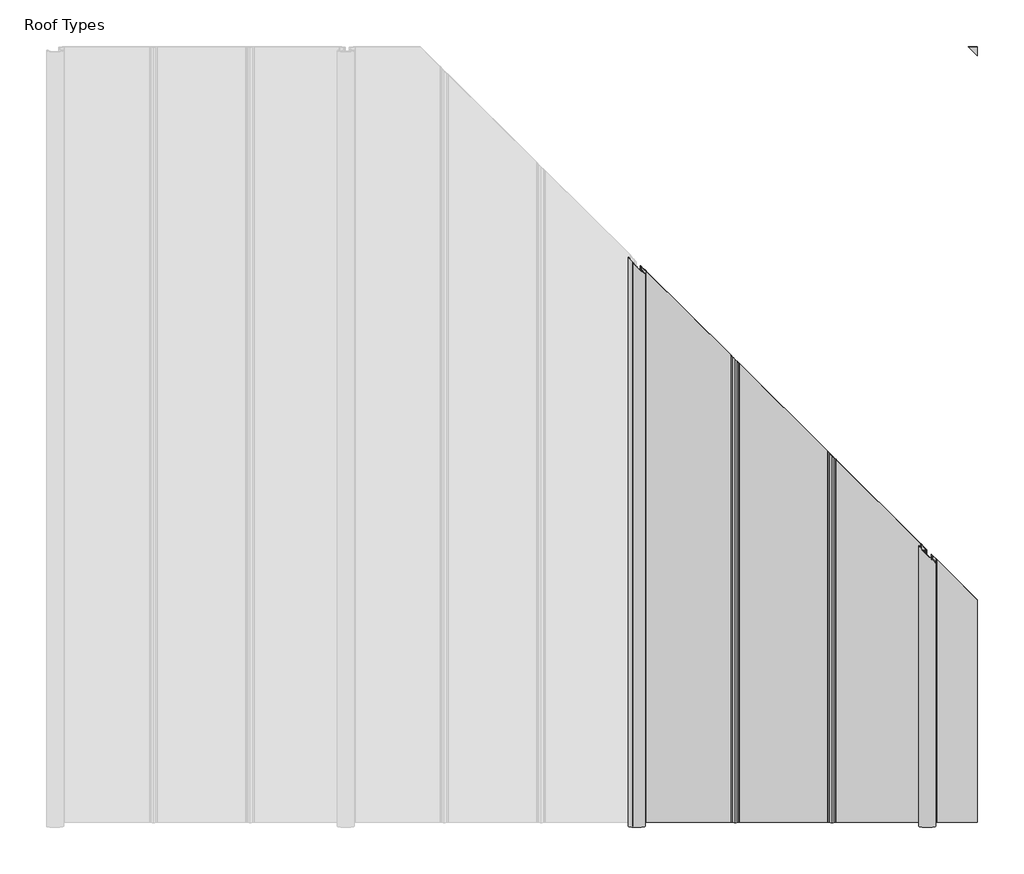
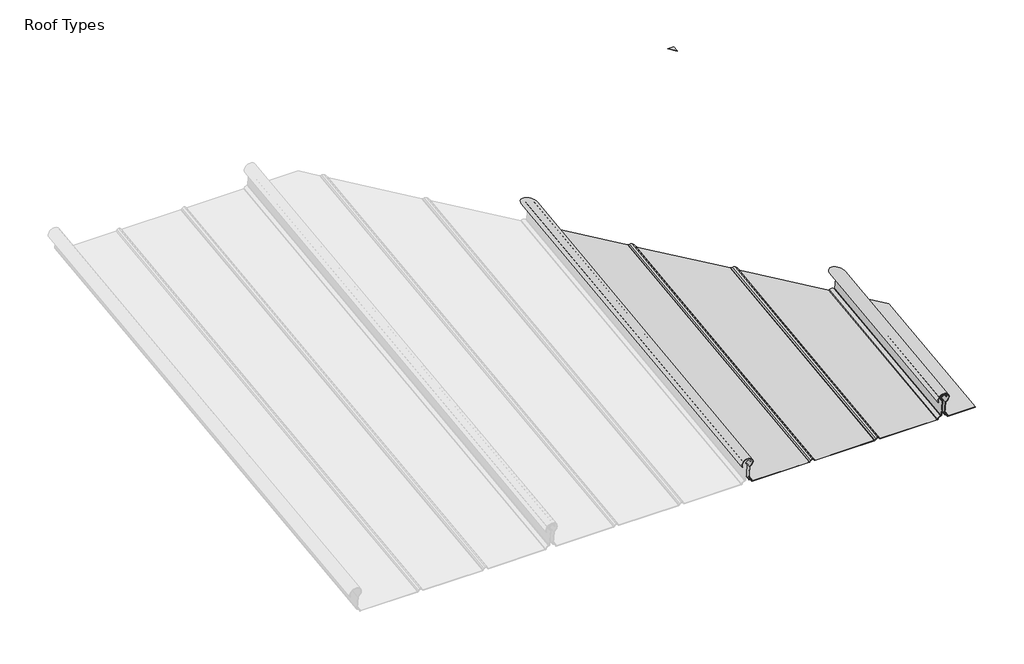
# One storey, part 3 of 3: 2 plates.
"""IFC4 building model written with IfcOpenShell, lengths in millimetres."""

from ifc_helpers import new_model, si_unit, frame, origin, place, context, project, spatial, polyline, circle_curve, ellipse_curve, faceted_brep, element, save
from ifc_brep_helpers import plane_surface, cylinder_surface, revolved_surface, advanced_brep

model = new_model("IFC4")

# Units and contexts
model_context = context("Model", 3, world=origin())
ifc_project = project(units=[si_unit("LENGTHUNIT", "METRE", prefix="MILLI")], contexts=[model_context])

# Site, building, storey
site = spatial("IfcSite", under=ifc_project)
building = spatial("IfcBuilding", under=site)
storey = spatial("IfcBuildingStorey", under=building, Name="Roof Types", Elevation=2400.0)

# Plates
placement = place(None, origin())
element("IfcPlate", 1, at=placement, inside=storey, context=model_context, shape_type="AdvancedBrep", body=[
    advanced_brep(
    [(273.5752752, 13315.1140164, 41.59074), (255.1482329, 13314.4813104, 46.7437172), (256.0397188, 13314.4219175, 47.2274334), (272.5592752, 13315.0404241, 42.1901011), (272.5592752, 13319.0591483, 9.4602195), (274.8302656, 13319.3359124, 7.2061566), (279.9721791, 13319.962554, 2.1025701), (282.0905391, 13320.2207172, 0.0), (414.8496436, 13320.2207172, 0.0), (416.5335709, 13320.093939, 1.0325252), (418.7801313, 13319.7552396, 3.7910104), (421.7176084, 13319.5449191, 5.5039334), (424.6554311, 13319.7551679, 3.7915944), (426.9081916, 13320.094663, 1.0266291), (428.6613367, 13320.2207172, 0.0), (567.1830552, 13320.2207172, 0.0), (568.8669825, 13320.093939, 1.0325252), (571.1135429, 13319.7552396, 3.7910104), (574.05102, 13319.5449191, 5.5039334), (576.9888427, 13319.7551679, 3.7915944), (579.2416031, 13320.094663, 1.0266291), (580.9947483, 13320.2207172, 0.0), (713.6780111, 13320.2207172, 0.0), (715.7963711, 13319.962554, 2.1025701), (720.9382846, 13319.3359124, 7.2061566), (723.2092751, 13319.0591483, 9.4602195), (723.2092751, 13314.3398003, 47.8962246), (721.5510259, 13313.9998723, 50.6647154), (718.5320062, 13313.1306946, 57.7435998), (719.7458338, 13312.9930366, 58.8647344), (721.5485836, 13312.7651145, 60.7210105), (722.6327985, 13312.6122305, 61.9661508), (730.7389478, 13313.3382534, 56.0531693), (731.7549331, 13313.338919, 56.0477485), (722.3242045, 13312.4942609, 62.9269364), (720.5460921, 13312.7449907, 60.8849063), (719.5440026, 13312.8716851, 59.8530633), (717.5533253, 13313.0974442, 58.0144026), (721.0656656, 13314.1086493, 49.7787984), (722.1932752, 13314.3398003, 47.8962246), (722.1932752, 13319.0591483, 9.4602195), (720.9382846, 13319.2120931, 8.2145835), (714.7803711, 13319.962554, 2.1025701), (713.6780111, 13320.0968979, 1.0084269), (581.0583311, 13320.0968979, 1.0084269), (579.9297066, 13320.0175548, 1.6546249), (577.6769461, 13319.6780597, 4.4195902), (574.0509418, 13319.4193672, 6.526472), (570.4253597, 13319.6781482, 4.4188695), (568.1731572, 13320.0176982, 1.6534564), (567.0500289, 13320.0968979, 1.0084269), (428.7249195, 13320.0968979, 1.0084269), (427.596295, 13320.0175548, 1.6546249), (425.3435346, 13319.6780597, 4.4195902), (421.7175302, 13319.4193672, 6.526472), (418.0919481, 13319.6781482, 4.4188695), (415.8397456, 13320.0176982, 1.6534564), (414.7166173, 13320.0968979, 1.0084269), (282.0905391, 13320.0968979, 1.0084269), (280.9881791, 13319.962554, 2.1025701), (274.8302656, 13319.2120931, 8.2145835), (273.5752752, 13319.0591483, 9.4602195), (273.5752752, 14189.789316, 148.9873626), (255.1482329, 14207.4462999, 156.3860313), (256.0397188, 14206.5020661, 156.7611027), (272.5592752, 14190.7241506, 149.710543), (272.5592752, 14194.7428748, 116.9806613), (274.8302656, 14192.765576, 114.4498343), (279.9721791, 14188.2886312, 108.7196062), (282.0905391, 14186.4442243, 106.358873), (580.9947483, 13889.7680018, 69.9316133), (713.6780111, 13758.0737399, 53.7615911), (715.7963711, 13755.7130067, 55.6059981), (720.9382846, 13749.9827786, 60.082943), (723.2092751, 13747.4519516, 62.0602417), (723.2092751, 13742.7326036, 100.4962469), (721.5510259, 13744.0385646, 103.4668274), (718.5320062, 13746.1659032, 110.9136378), (719.7458338, 13744.8234652, 111.8868439), (721.5485836, 13742.8062308, 113.5234201), (722.6327985, 13741.5772135, 114.6364279), (730.7389478, 13734.2575091, 107.7355553), (731.7549331, 13733.2497623, 107.606317), (722.3242045, 13741.7655376, 115.6348216), (720.5460921, 13743.7811261, 113.8094889), (719.5440026, 13744.9024405, 112.8997699), (717.5533253, 13747.1040387, 111.3037118), (721.0656656, 13744.6290839, 102.6400609), (722.1932752, 13743.7410304, 100.6200661), (722.1932752, 13748.4603784, 62.184061), (720.9382846, 13749.8589594, 61.0913698), (714.7803711, 13756.7214336, 55.7298173), (713.6780111, 13757.9499206, 54.770018), (414.7166173, 14054.6829015, 91.2042468), (282.0905391, 14186.320405, 107.3672999), (280.9881791, 14187.2802043, 108.5957869), (274.8302656, 14192.6417568, 115.4582612), (273.5752752, 14193.7344479, 116.8568421), (428.6613367, 14040.9659432, 88.4963861), (567.1830552, 13903.4767446, 71.6148352), (568.8669825, 13901.6785909, 72.4421413), (571.1135429, 13899.1100766, 74.9268397), (574.05102, 13895.9841745, 76.2817743), (576.9888427, 13893.2784987, 74.2114047), (579.2416031, 13891.382025, 71.171897), (581.0583311, 13889.5810737, 70.9322914), (579.9297066, 13890.6219425, 71.7160341), (577.6769461, 13892.5184161, 74.7555418), (574.0509418, 13895.8587002, 77.3043224), (570.4253597, 13899.7160388, 75.6385672), (568.1731572, 13902.2910037, 73.1476286), (567.0500289, 13903.4849601, 72.6394739), (414.8496436, 14054.6746861, 90.1796081), (416.5335709, 14052.8765324, 91.0069141), (418.7801313, 14050.3080181, 93.4916126), (421.7176084, 14047.1821159, 94.8465471), (424.6554311, 14044.4764401, 92.7761775), (426.9081916, 14042.5799665, 89.7366698), (428.7249195, 14040.7790151, 89.4970642), (427.596295, 14041.8198839, 90.2808069), (425.3435346, 14043.7163575, 93.3203146), (421.7175302, 14047.0566417, 95.8690952), (418.0919481, 14050.9139802, 94.20334), (415.8397456, 14053.4889452, 91.7124014)],
    [
        (0, 1, circle_curve(frame((266.9036869, 13313.6981344, 53.1221735), z_axis=(0.0, -0.9925461516413204, -0.1218693434051611), x_axis=(-1.0, 0.0, 0.0)), 13.3973418)),
        (1, 2),
        (2, 3, circle_curve(frame((266.9036869, 13313.6981344, 53.1221735), z_axis=(0.0, 0.9925461516413204, 0.1218693434051611), x_axis=(-1.0, 0.0, 0.0)), 12.3813418)),
        (3, 4),
        (4, 5, circle_curve(frame((274.8302657, 13319.0591483, 9.4602195), z_axis=(0.0, -0.9925461516413204, -0.1218693434051611), x_axis=(-1.0, 0.0, 0.0)), 2.2709905)),
        (5, 6, circle_curve(frame((274.8302656, 13319.962554, 2.1025701), z_axis=(0.0, 0.9925461516413204, 0.1218693434051611), x_axis=(-1.0, 0.0, 0.0)), 5.1419136)),
        (6, 7, circle_curve(frame((282.0905391, 13319.962554, 2.1025701), z_axis=(0.0, -0.9925461516413204, -0.1218693434051611), x_axis=(-1.0, 0.0, 0.0)), 2.11836)),
        (7, 8),
        (8, 9, circle_curve(frame((414.5757277, 13319.9371951, 2.3091021), z_axis=(0.0, -0.9925461516413204, -0.1218693434051611), x_axis=(-1.0, 0.0, 0.0)), 2.342513)),
        (9, 10),
        (10, 11, circle_curve(frame((422.0283724, 13320.0192103, 1.6411417), z_axis=(0.0, 0.9925461516413204, 0.1218693434051611), x_axis=(-1.0, 0.0, 0.0)), 3.9041883)),
        (11, 12, circle_curve(frame((421.4076239, 13320.0192179, 1.64108), z_axis=(0.0, 0.9925461516413204, 0.1218693434051611), x_axis=(-1.0, 0.0, 0.0)), 3.9041883)),
        (12, 13),
        (13, 14, circle_curve(frame((428.8568759, 13319.936233, 2.3169377), z_axis=(0.0, -0.9925461516413204, -0.1218693434051611), x_axis=(-1.0, 0.0, 0.0)), 2.342513)),
        (14, 15),
        (15, 16, circle_curve(frame((566.9091393, 13319.9371951, 2.3091021), z_axis=(0.0, -0.9925461516413204, -0.1218693434051611), x_axis=(-1.0, 0.0, 0.0)), 2.342513)),
        (16, 17),
        (17, 18, circle_curve(frame((574.361784, 13320.0192103, 1.6411417), z_axis=(0.0, 0.9925461516413204, 0.1218693434051611), x_axis=(-1.0, 0.0, 0.0)), 3.9041883)),
        (18, 19, circle_curve(frame((573.7410355, 13320.0192179, 1.64108), z_axis=(0.0, 0.9925461516413204, 0.1218693434051611), x_axis=(-1.0, 0.0, 0.0)), 3.9041883)),
        (19, 20),
        (20, 21, circle_curve(frame((581.1902875, 13319.936233, 2.3169377), z_axis=(0.0, -0.9925461516413204, -0.1218693434051611), x_axis=(-1.0, 0.0, 0.0)), 2.342513)),
        (21, 22),
        (22, 23, circle_curve(frame((713.6780111, 13319.962554, 2.1025701), z_axis=(0.0, -0.9925461516413204, -0.1218693434051611), x_axis=(-1.0, 0.0, 0.0)), 2.11836)),
        (23, 24, circle_curve(frame((720.9382847, 13319.962554, 2.1025701), z_axis=(0.0, 0.9925461516413204, 0.1218693434051611), x_axis=(-1.0, 0.0, 0.0)), 5.1419136)),
        (24, 25, circle_curve(frame((720.9382846, 13319.0591483, 9.4602195), z_axis=(0.0, -0.9925461516413204, -0.1218693434051611), x_axis=(-1.0, 0.0, 0.0)), 2.2709905)),
        (25, 26),
        (26, 27, circle_curve(frame((720.0342752, 13314.3398003, 47.8962246), z_axis=(0.0, -0.9925461516413204, -0.1218693434051611), x_axis=(-1.0, 0.0, 0.0)), 3.175)),
        (27, 28, circle_curve(frame((724.5213293, 13313.3341801, 56.0863433), z_axis=(0.0, 0.9925461516413204, 0.1218693434051611), x_axis=(-1.0, 0.0, 0.0)), 6.2177083)),
        (28, 29, circle_curve(frame((720.0611951, 13313.1826484, 57.3204705), z_axis=(0.0, 0.9925461516413204, 0.1218693434051611), x_axis=(-1.0, 0.0, 0.0)), 1.5875)),
        (29, 30, circle_curve(frame((719.291395, 13312.7198041, 61.0900347), z_axis=(0.0, -0.9925461516413204, -0.1218693434051611), x_axis=(-1.0, 0.0, 0.0)), 2.287604)),
        (30, 31, circle_curve(frame((723.1149766, 13312.7965581, 60.4649234), z_axis=(0.0, 0.9925461516413204, 0.1218693434051611), x_axis=(-1.0, 0.0, 0.0)), 1.5875)),
        (31, 32, circle_curve(frame((724.5213293, 13313.3341801, 56.0863433), z_axis=(0.0, 0.9925461516413204, 0.1218693434051611), x_axis=(-1.0, 0.0, 0.0)), 6.2177083)),
        (32, 33),
        (33, 34, circle_curve(frame((724.5213293, 13313.3341801, 56.0863433), z_axis=(0.0, -0.9925461516413204, -0.1218693434051611), x_axis=(-1.0, 0.0, 0.0)), 7.2337083)),
        (34, 35, circle_curve(frame((723.1149766, 13312.7965581, 60.4649234), z_axis=(0.0, -0.9925461516413204, -0.1218693434051611), x_axis=(-1.0, 0.0, 0.0)), 2.6035)),
        (35, 36, circle_curve(frame((719.291395, 13312.7198041, 61.0900347), z_axis=(0.0, 0.9925461516413204, 0.1218693434051611), x_axis=(-1.0, 0.0, 0.0)), 1.271604)),
        (36, 37, circle_curve(frame((720.0611951, 13313.1826484, 57.3204705), z_axis=(0.0, -0.9925461516413204, -0.1218693434051611), x_axis=(-1.0, 0.0, 0.0)), 2.6035)),
        (37, 38, circle_curve(frame((724.5213293, 13313.3341801, 56.0863433), z_axis=(0.0, -0.9925461516413204, -0.1218693434051611), x_axis=(-1.0, 0.0, 0.0)), 7.2337083)),
        (38, 39, circle_curve(frame((720.0342752, 13314.3398003, 47.8962246), z_axis=(0.0, 0.9925461516413204, 0.1218693434051611), x_axis=(-1.0, 0.0, 0.0)), 2.159)),
        (39, 40),
        (40, 41, circle_curve(frame((720.9382846, 13319.0591483, 9.4602195), z_axis=(0.0, 0.9925461516413204, 0.1218693434051611), x_axis=(-1.0, 0.0, 0.0)), 1.2549905)),
        (41, 42, circle_curve(frame((720.9382847, 13319.962554, 2.1025701), z_axis=(0.0, -0.9925461516413204, -0.1218693434051611), x_axis=(-1.0, 0.0, 0.0)), 6.1579136)),
        (42, 43, circle_curve(frame((713.6780111, 13319.962554, 2.1025701), z_axis=(0.0, 0.9925461516413204, 0.1218693434051611), x_axis=(-1.0, 0.0, 0.0)), 1.10236)),
        (43, 44),
        (44, 45, circle_curve(frame((581.2068821, 13319.9066227, 2.5580937), z_axis=(0.0, 0.9925461516413204, 0.1218693434051611), x_axis=(-1.0, 0.0, 0.0)), 1.5683556)),
        (45, 46),
        (46, 47, circle_curve(frame((573.7410355, 13319.9906547, 1.873708), z_axis=(0.0, -0.9925461516413204, -0.1218693434051611), x_axis=(-1.0, 0.0, 0.0)), 4.6979383)),
        (47, 48, circle_curve(frame((574.3617838, 13319.9906472, 1.8737696), z_axis=(0.0, -0.9925461516413204, -0.1218693434051611), x_axis=(-1.0, 0.0, 0.0)), 4.6979382)),
        (48, 49),
        (49, 50, circle_curve(frame((566.8988758, 13319.9071872, 2.5534969), z_axis=(0.0, 0.9925461516413204, 0.1218693434051611), x_axis=(-1.0, 0.0, 0.0)), 1.5639945)),
        (50, 51),
        (51, 52, circle_curve(frame((428.8734705, 13319.9066227, 2.5580937), z_axis=(0.0, 0.9925461516413204, 0.1218693434051611), x_axis=(-1.0, 0.0, 0.0)), 1.5683556)),
        (52, 53),
        (53, 54, circle_curve(frame((421.4076239, 13319.9906547, 1.873708), z_axis=(0.0, -0.9925461516413204, -0.1218693434051611), x_axis=(-1.0, 0.0, 0.0)), 4.6979383)),
        (54, 55, circle_curve(frame((422.0283722, 13319.9906472, 1.8737696), z_axis=(0.0, -0.9925461516413204, -0.1218693434051611), x_axis=(-1.0, 0.0, 0.0)), 4.6979382)),
        (55, 56),
        (56, 57, circle_curve(frame((414.5654642, 13319.9071872, 2.5534969), z_axis=(0.0, 0.9925461516413204, 0.1218693434051611), x_axis=(-1.0, 0.0, 0.0)), 1.5639945)),
        (57, 58),
        (58, 59, circle_curve(frame((282.0905391, 13319.962554, 2.1025701), z_axis=(0.0, 0.9925461516413204, 0.1218693434051611), x_axis=(-1.0, 0.0, 0.0)), 1.10236)),
        (59, 60, circle_curve(frame((274.8302656, 13319.962554, 2.1025701), z_axis=(0.0, -0.9925461516413204, -0.1218693434051611), x_axis=(-1.0, 0.0, 0.0)), 6.1579136)),
        (60, 61, circle_curve(frame((274.8302657, 13319.0591483, 9.4602195), z_axis=(0.0, 0.9925461516413204, 0.1218693434051611), x_axis=(-1.0, 0.0, 0.0)), 1.2549905)),
        (61, 0),
        (0, 62),
        (62, 63, ellipse_curve(frame((266.9036869, 14194.9952933, 161.3318582), z_axis=(-0.7071067811865493, -0.7018361144661881, -0.08617463914053403), x_axis=(0.7071067811865458, -0.7018361144661898, -0.0861746391405489)), 18.9467025, 13.3973418)),
        (63, 1),
        (63, 64),
        (64, 2),
        (64, 65, ellipse_curve(frame((266.9036869, 14194.9952933, 161.3318582), z_axis=(0.7071067811865493, 0.7018361144661881, 0.08617463914053403), x_axis=(-0.7071067811865458, 0.7018361144661898, 0.0861746391405489)), 17.5098616, 12.3813418)),
        (65, 3),
        (65, 66),
        (66, 4),
        (66, 67, ellipse_curve(frame((274.8302657, 14192.4888119, 116.7038972), z_axis=(-0.7071067811865493, -0.7018361144661881, -0.08617463914053403), x_axis=(0.7071067811865458, -0.7018361144661898, -0.0861746391405489)), 3.2116656, 2.2709905)),
        (67, 5),
        (67, 68, ellipse_curve(frame((274.8302656, 14193.3922177, 109.3462478), z_axis=(0.7071067811865493, 0.7018361144661881, 0.08617463914053403), x_axis=(-0.7071067811865458, 0.7018361144661898, 0.0861746391405489)), 7.2717639, 5.1419136)),
        (68, 6),
        (68, 69, ellipse_curve(frame((282.0905391, 14186.1860612, 108.461443), z_axis=(-0.7071067811865493, -0.7018361144661881, -0.08617463914053403), x_axis=(0.7071067811865458, -0.7018361144661898, -0.0861746391405489)), 2.9958134, 2.11836)),
        (69, 7),
        (21, 70),
        (70, 71),
        (71, 22),
        (71, 72, ellipse_curve(frame((713.6780111, 13757.8155767, 55.8641612), z_axis=(-0.7071067811865493, -0.7018361144661881, -0.08617463914053403), x_axis=(0.7071067811865458, -0.7018361144661898, -0.0861746391405489)), 2.9958134, 2.11836)),
        (72, 23),
        (72, 73, ellipse_curve(frame((720.9382847, 13750.6094202, 54.9793564), z_axis=(0.7071067811865493, 0.7018361144661881, 0.08617463914053403), x_axis=(-0.7071067811865458, 0.7018361144661898, 0.0861746391405489)), 7.2717639, 5.1419136)),
        (73, 24),
        (73, 74, ellipse_curve(frame((720.9382846, 13749.7060145, 62.3370058), z_axis=(-0.7071067811865493, -0.7018361144661881, -0.08617463914053403), x_axis=(0.7071067811865458, -0.7018361144661898, -0.0861746391405489)), 3.2116656, 2.2709905)),
        (74, 25),
        (74, 75),
        (75, 26),
        (75, 76, ellipse_curve(frame((720.0342752, 13745.8839375, 100.883182), z_axis=(-0.7071067811865493, -0.7018361144661881, -0.08617463914053403), x_axis=(0.7071067811865458, -0.7018361144661898, -0.0861746391405489)), 4.4901281, 3.175)),
        (76, 27),
        (76, 77, ellipse_curve(frame((724.5213293, 13740.4247091, 108.5264663), z_axis=(0.7071067811865493, 0.7018361144661881, 0.08617463914053403), x_axis=(-0.7071067811865458, 0.7018361144661898, 0.0861746391405489)), 8.7931675, 6.2177083)),
        (77, 28),
        (77, 78, ellipse_curve(frame((720.0611951, 13744.7000664, 110.3041472), z_axis=(0.7071067811865493, 0.7018361144661881, 0.08617463914053403), x_axis=(-0.7071067811865458, 0.7018361144661898, 0.0861746391405489)), 2.245064, 1.5875)),
        (78, 29),
        (78, 79, ellipse_curve(frame((719.291395, 13745.0012842, 114.1675264), z_axis=(-0.7071067811865493, -0.7018361144661881, -0.08617463914053403), x_axis=(0.7071067811865458, -0.7018361144661898, -0.0861746391405489)), 3.2351607, 2.287604)),
        (79, 30),
        (79, 80, ellipse_curve(frame((723.1149766, 13741.2829571, 113.0764377), z_axis=(0.7071067811865493, 0.7018361144661881, 0.08617463914053403), x_axis=(-0.7071067811865458, 0.7018361144661898, 0.0861746391405489)), 2.245064, 1.5875)),
        (80, 31),
        (80, 81, ellipse_curve(frame((724.5213293, 13740.4247091, 108.5264663), z_axis=(0.7071067811865493, 0.7018361144661881, 0.08617463914053403), x_axis=(-0.7071067811865458, 0.7018361144661898, 0.0861746391405489)), 8.7931675, 6.2177083)),
        (81, 32),
        (81, 82),
        (82, 33),
        (82, 83, ellipse_curve(frame((724.5213293, 13740.4247091, 108.5264663), z_axis=(-0.7071067811865493, -0.7018361144661881, -0.08617463914053403), x_axis=(0.7071067811865458, -0.7018361144661898, -0.0861746391405489)), 10.2300084, 7.2337083)),
        (83, 34),
        (83, 84, ellipse_curve(frame((723.1149766, 13741.2829571, 113.0764377), z_axis=(-0.7071067811865493, -0.7018361144661881, -0.08617463914053403), x_axis=(0.7071067811865458, -0.7018361144661898, -0.0861746391405489)), 3.681905, 2.6035)),
        (84, 35),
        (84, 85, ellipse_curve(frame((719.291395, 13745.0012842, 114.1675264), z_axis=(0.7071067811865493, 0.7018361144661881, 0.08617463914053403), x_axis=(-0.7071067811865458, 0.7018361144661898, 0.0861746391405489)), 1.7983197, 1.271604)),
        (85, 36),
        (85, 86, ellipse_curve(frame((720.0611951, 13744.7000664, 110.3041472), z_axis=(-0.7071067811865493, -0.7018361144661881, -0.08617463914053403), x_axis=(0.7071067811865458, -0.7018361144661898, -0.0861746391405489)), 3.681905, 2.6035)),
        (86, 37),
        (86, 87, ellipse_curve(frame((724.5213293, 13740.4247091, 108.5264663), z_axis=(-0.7071067811865493, -0.7018361144661881, -0.08617463914053403), x_axis=(0.7071067811865458, -0.7018361144661898, -0.0861746391405489)), 10.2300084, 7.2337083)),
        (87, 38),
        (87, 88, ellipse_curve(frame((720.0342752, 13745.8839375, 100.883182), z_axis=(0.7071067811865493, 0.7018361144661881, 0.08617463914053403), x_axis=(-0.7071067811865458, 0.7018361144661898, 0.0861746391405489)), 3.0532871, 2.159)),
        (88, 39),
        (88, 89),
        (89, 40),
        (89, 90, ellipse_curve(frame((720.9382846, 13749.7060145, 62.3370058), z_axis=(0.7071067811865493, 0.7018361144661881, 0.08617463914053403), x_axis=(-0.7071067811865458, 0.7018361144661898, 0.0861746391405489)), 1.7748246, 1.2549905)),
        (90, 41),
        (90, 91, ellipse_curve(frame((720.9382847, 13750.6094202, 54.9793564), z_axis=(-0.7071067811865493, -0.7018361144661881, -0.08617463914053403), x_axis=(0.7071067811865458, -0.7018361144661898, -0.0861746391405489)), 8.7086049, 6.1579136)),
        (91, 42),
        (91, 92, ellipse_curve(frame((713.6780111, 13757.8155767, 55.8641612), z_axis=(0.7071067811865493, 0.7018361144661881, 0.08617463914053403), x_axis=(-0.7071067811865458, 0.7018361144661898, 0.0861746391405489)), 1.5589725, 1.10236)),
        (92, 43),
        (57, 93),
        (93, 94),
        (94, 58),
        (94, 95, ellipse_curve(frame((282.0905391, 14186.1860612, 108.461443), z_axis=(0.7071067811865493, 0.7018361144661881, 0.08617463914053403), x_axis=(-0.7071067811865458, 0.7018361144661898, 0.0861746391405489)), 1.5589725, 1.10236)),
        (95, 59),
        (95, 96, ellipse_curve(frame((274.8302656, 14193.3922177, 109.3462478), z_axis=(-0.7071067811865493, -0.7018361144661881, -0.08617463914053403), x_axis=(0.7071067811865458, -0.7018361144661898, -0.0861746391405489)), 8.7086049, 6.1579136)),
        (96, 60),
        (96, 97, ellipse_curve(frame((274.8302657, 14192.4888119, 116.7038972), z_axis=(0.7071067811865493, 0.7018361144661881, 0.08617463914053403), x_axis=(-0.7071067811865458, 0.7018361144661898, 0.0861746391405489)), 1.7748246, 1.2549905)),
        (97, 61),
        (97, 62),
        (14, 98),
        (98, 99),
        (99, 15),
        (99, 100, ellipse_curve(frame((566.9091393, 13903.4650967, 73.9573192), z_axis=(-0.7071067811865493, -0.7018361144661881, -0.08617463914053403), x_axis=(0.7071067811865458, -0.7018361144661898, -0.0861746391405489)), 3.3128136, 2.342513)),
        (100, 16),
        (100, 101),
        (101, 17),
        (101, 102, ellipse_curve(frame((574.361784, 13896.1500181, 72.38111), z_axis=(0.7071067811865493, 0.7018361144661881, 0.08617463914053403), x_axis=(-0.7071067811865458, 0.7018361144661898, 0.0861746391405489)), 5.521356, 3.9041883)),
        (102, 18),
        (102, 103, ellipse_curve(frame((573.7410355, 13896.7661472, 72.4566985), z_axis=(0.7071067811865493, 0.7018361144661881, 0.08617463914053403), x_axis=(-0.7071067811865458, 0.7018361144661898, 0.0861746391405489)), 5.521356, 3.9041883)),
        (103, 19),
        (103, 104),
        (104, 20),
        (104, 70, ellipse_curve(frame((581.1902875, 13889.2894359, 72.2247207), z_axis=(-0.7071067811865493, -0.7018361144661881, -0.08617463914053403), x_axis=(0.7071067811865458, -0.7018361144661898, -0.0861746391405489)), 3.3128136, 2.342513)),
        (92, 105),
        (105, 44),
        (105, 106, ellipse_curve(frame((581.2068821, 13889.2433547, 72.4638544), z_axis=(0.7071067811865493, 0.7018361144661881, 0.08617463914053403), x_axis=(-0.7071067811865458, 0.7018361144661898, 0.0861746391405489)), 2.2179898, 1.5683556)),
        (106, 45),
        (106, 107),
        (107, 46),
        (107, 108, ellipse_curve(frame((573.7410355, 13896.7375841, 72.6893265), z_axis=(-0.7071067811865493, -0.7018361144661881, -0.08617463914053403), x_axis=(0.7071067811865458, -0.7018361144661898, -0.0861746391405489)), 6.643888, 4.6979383)),
        (108, 47),
        (108, 109, ellipse_curve(frame((574.3617838, 13896.1214552, 72.6137379), z_axis=(-0.7071067811865493, -0.7018361144661881, -0.08617463914053403), x_axis=(0.7071067811865458, -0.7018361144661898, -0.0861746391405489)), 6.6438879, 4.6979382)),
        (109, 48),
        (109, 110),
        (110, 49),
        (110, 111, ellipse_curve(frame((566.8988758, 13903.4452758, 74.2029649), z_axis=(0.7071067811865493, 0.7018361144661881, 0.08617463914053403), x_axis=(-0.7071067811865458, 0.7018361144661898, 0.0861746391405489)), 2.2118223, 1.5639945)),
        (111, 50),
        (69, 112),
        (112, 8),
        (112, 113, ellipse_curve(frame((414.5757277, 14054.6630381, 92.5220921), z_axis=(-0.7071067811865493, -0.7018361144661881, -0.08617463914053403), x_axis=(0.7071067811865458, -0.7018361144661898, -0.0861746391405489)), 3.3128136, 2.342513)),
        (113, 9),
        (113, 114),
        (114, 10),
        (114, 115, ellipse_curve(frame((422.0283724, 14047.3479596, 90.9458828), z_axis=(0.7071067811865493, 0.7018361144661881, 0.08617463914053403), x_axis=(-0.7071067811865458, 0.7018361144661898, 0.0861746391405489)), 5.521356, 3.9041883)),
        (115, 11),
        (115, 116, ellipse_curve(frame((421.4076239, 14047.9640886, 91.0214713), z_axis=(0.7071067811865493, 0.7018361144661881, 0.08617463914053403), x_axis=(-0.7071067811865458, 0.7018361144661898, 0.0861746391405489)), 5.521356, 3.9041883)),
        (116, 12),
        (116, 117),
        (117, 13),
        (117, 98, ellipse_curve(frame((428.8568759, 14040.4873774, 90.7894935), z_axis=(-0.7071067811865493, -0.7018361144661881, -0.08617463914053403), x_axis=(0.7071067811865458, -0.7018361144661898, -0.0861746391405489)), 3.3128136, 2.342513)),
        (111, 118),
        (118, 51),
        (118, 119, ellipse_curve(frame((428.8734705, 14040.4412962, 91.0286272), z_axis=(0.7071067811865493, 0.7018361144661881, 0.08617463914053403), x_axis=(-0.7071067811865458, 0.7018361144661898, 0.0861746391405489)), 2.2179898, 1.5683556)),
        (119, 52),
        (119, 120),
        (120, 53),
        (120, 121, ellipse_curve(frame((421.4076239, 14047.9355255, 91.2540993), z_axis=(-0.7071067811865493, -0.7018361144661881, -0.08617463914053403), x_axis=(0.7071067811865458, -0.7018361144661898, -0.0861746391405489)), 6.643888, 4.6979383)),
        (121, 54),
        (121, 122, ellipse_curve(frame((422.0283722, 14047.3193967, 91.1785107), z_axis=(-0.7071067811865493, -0.7018361144661881, -0.08617463914053403), x_axis=(0.7071067811865458, -0.7018361144661898, -0.0861746391405489)), 6.6438879, 4.6979382)),
        (122, 55),
        (122, 123),
        (123, 56),
        (123, 93, ellipse_curve(frame((414.5654642, 14054.6432173, 92.7677378), z_axis=(0.7071067811865493, 0.7018361144661881, 0.08617463914053403), x_axis=(-0.7071067811865458, 0.7018361144661898, 0.0861746391405489)), 2.2118223, 1.5639945)),
    ],
    [
        plane_surface(frame((497.8842751, 13320.2207172, 0.0), z_axis=(0.0, -0.9925461516413204, -0.1218693434051611), x_axis=(0.0, -0.1218693434051611, 0.9925461516413204))),
        cylinder_surface(frame((266.9036869, 13313.6981344, 53.1221735), z_axis=(0.0, -0.9925461516413204, -0.1218693434051611), x_axis=(-1.0, 0.0, 0.0)), 13.3973418),
        plane_surface(frame((255.1482329, 13314.4813104, 46.7437172), z_axis=(0.4796740622021276, 0.10693385894583032, -0.8709063921349199), x_axis=(0.0, 0.9925461516413204, 0.1218693434051611))),
        revolved_surface(polyline([(254.52234510000002, 14207.28434653254, 162.8407641855963), (254.52234510000002, 13313.698134390746, 53.12217349886383)]), (266.9036869, 13313.6981344, 53.1221735), (0.0, 0.9925461516413204, 0.1218693434051611)),
        plane_surface(frame((272.5592752, 13315.0404241, 42.1901011), z_axis=(-1.0000000000000002, 0.0, 0.0), x_axis=(0.0, 0.9925461516413204, 0.1218693434051611))),
        cylinder_surface(frame((274.8302657, 13319.0591483, 9.4602195), z_axis=(0.0, -0.9925461516413204, -0.1218693434051611), x_axis=(-1.0, 0.0, 0.0)), 2.2709905),
        revolved_surface(polyline([(269.688352, 14198.495804216418, 109.97288946643674), (269.688352, 13319.962554, 2.1025701)]), (274.8302656, 13319.962554, 2.1025701), (0.0, 0.9925461516413204, 0.1218693434051611)),
        cylinder_surface(frame((282.0905391, 13319.962554, 2.1025701), z_axis=(0.0, -0.9925461516413204, -0.1218693434051611), x_axis=(-1.0, 0.0, 0.0)), 2.11836),
        plane_surface(frame((580.9947483, 13320.2207172, 0.0), z_axis=(0.0, 0.1218693434051611, -0.9925461516413204), x_axis=(0.0, 0.9925461516413204, 0.1218693434051611))),
        cylinder_surface(frame((713.6780111, 13319.962554, 2.1025701), z_axis=(0.0, -0.9925461516413204, -0.1218693434051611), x_axis=(-1.0, 0.0, 0.0)), 2.11836),
        revolved_surface(polyline([(715.7963711000001, 13755.713006712354, 55.60599809953437), (715.7963711000001, 13319.962554, 2.1025701)]), (720.9382847, 13319.962554, 2.1025701), (0.0, 0.9925461516413204, 0.1218693434051611)),
        cylinder_surface(frame((720.9382846, 13319.0591483, 9.4602195), z_axis=(0.0, -0.9925461516413204, -0.1218693434051611), x_axis=(-1.0, 0.0, 0.0)), 2.2709905),
        plane_surface(frame((723.2092751, 13319.0591483, 9.4602195), z_axis=(1.0000000000000002, 0.0, 0.0), x_axis=(0.0, 0.9925461516413204, 0.1218693434051611))),
        cylinder_surface(frame((720.0342752, 13314.3398003, 47.8962246), z_axis=(0.0, -0.9925461516413204, -0.1218693434051611), x_axis=(-1.0, 0.0, 0.0)), 3.175),
        revolved_surface(polyline([(718.303621, 13746.596071603697, 109.28421440424924), (718.303621, 13313.334180098936, 56.08634329986933)]), (724.5213293, 13313.3341801, 56.0863433), (0.0, 0.9925461516413204, 0.1218693434051611)),
        revolved_surface(polyline([(718.4736951, 13746.275733395567, 110.49761477127103), (718.4736951, 13313.18264834612, 57.32047049338425)]), (720.0611951, 13313.1826484, 57.3204705), (0.0, 0.9925461516413204, 0.1218693434051611)),
        cylinder_surface(frame((719.291395, 13312.7198041, 61.0900347), z_axis=(0.0, -0.9925461516413204, -0.1218693434051611), x_axis=(-1.0, 0.0, 0.0)), 2.287604),
        revolved_surface(polyline([(721.5274766, 13742.858624087945, 113.26990533333179), (721.5274766, 13312.796558042986, 60.46492339299947)]), (723.1149766, 13312.7965581, 60.4649234), (0.0, 0.9925461516413204, 0.1218693434051611)),
        revolved_surface(polyline([(718.303621, 13746.596071603697, 109.28421440424924), (718.303621, 13313.334180082347, 56.08634329783255)]), (724.5213293, 13313.3341801, 56.0863433), (0.0, 0.9925461516413204, 0.1218693434051611)),
        plane_surface(frame((730.7389478, 13313.3382534, 56.0531693), z_axis=(-0.0053754690124281235, 0.12186758264445287, -0.9925318113961357), x_axis=(0.0, 0.9925461516413204, 0.1218693434051611))),
        cylinder_surface(frame((724.5213293, 13313.3341801, 56.0863433), z_axis=(0.0, -0.9925461516413204, -0.1218693434051611), x_axis=(-1.0, 0.0, 0.0)), 7.2337083),
        cylinder_surface(frame((723.1149766, 13312.7965581, 60.4649234), z_axis=(0.0, -0.9925461516413204, -0.1218693434051611), x_axis=(-1.0, 0.0, 0.0)), 2.6035),
        revolved_surface(polyline([(718.0197909999999, 13746.263409908332, 114.322495971444), (718.0197909999999, 13312.719804099484, 61.09003469993675)]), (719.291395, 13312.7198041, 61.0900347), (0.0, 0.9925461516413204, 0.1218693434051611)),
        cylinder_surface(frame((720.0611951, 13313.1826484, 57.3204705), z_axis=(0.0, -0.9925461516413204, -0.1218693434051611), x_axis=(-1.0, 0.0, 0.0)), 2.6035),
        revolved_surface(polyline([(717.8752752, 13748.026844655058, 101.14629791042036), (717.8752752, 13314.339800297439, 47.896224599685546)]), (720.0342752, 13314.3398003, 47.8962246), (0.0, 0.9925461516413204, 0.1218693434051611)),
        plane_surface(frame((722.1932752, 13314.3398003, 47.8962246), z_axis=(-1.0000000000000002, 0.0, 0.0), x_axis=(0.0, 0.9925461516413204, 0.1218693434051611))),
        revolved_surface(polyline([(719.6832941, 13750.951650492585, 62.48995073897919), (719.6832941, 13319.059148231725, 9.460219491616831)]), (720.9382846, 13319.0591483, 9.4602195), (0.0, 0.9925461516413204, 0.1218693434051611)),
        cylinder_surface(frame((720.9382847, 13319.962554, 2.1025701), z_axis=(0.0, -0.9925461516413204, -0.1218693434051611), x_axis=(-1.0, 0.0, 0.0)), 6.1579136),
        revolved_surface(polyline([(712.5756511000001, 13758.909719898062, 55.99850512437401), (712.5756511000001, 13319.962554, 2.1025701)]), (713.6780111, 13319.962554, 2.1025701), (0.0, 0.9925461516413204, 0.1218693434051611)),
        plane_surface(frame((414.7166173, 13320.0968979, 1.0084269), z_axis=(0.0, -0.1218693434051611, 0.9925461516413204), x_axis=(0.0, 0.9925461516413204, 0.1218693434051611))),
        revolved_surface(polyline([(280.9881791, 14187.280204392846, 108.59578696683671), (280.9881791, 13319.962554, 2.1025701)]), (282.0905391, 13319.962554, 2.1025701), (0.0, 0.9925461516413204, 0.1218693434051611)),
        cylinder_surface(frame((274.8302656, 13319.962554, 2.1025701), z_axis=(0.0, -0.9925461516413204, -0.1218693434051611), x_axis=(-1.0, 0.0, 0.0)), 6.1579136),
        revolved_surface(polyline([(273.57527519999996, 14193.734447900724, 116.85684209410354), (273.57527519999996, 13319.059148231725, 9.460219491616831)]), (274.8302657, 13319.0591483, 9.4602195), (0.0, 0.9925461516413204, 0.1218693434051611)),
        plane_surface(frame((273.5752752, 13319.0591483, 9.4602195), z_axis=(1.0000000000000002, 0.0, 0.0), x_axis=(0.0, 0.9925461516413204, 0.1218693434051611))),
        plane_surface(frame((428.6613367, 13320.2207172, 0.0), z_axis=(0.0, 0.12186934340516108, -0.9925461516413204), x_axis=(0.0, 0.9925461516413204, 0.12186934340516108))),
        cylinder_surface(frame((566.9091393, 13319.9371951, 2.3091021), z_axis=(0.0, -0.9925461516413204, -0.1218693434051611), x_axis=(-1.0, 0.0, 0.0)), 2.342513),
        plane_surface(frame((568.8669825, 13320.093939, 1.0325252), z_axis=(0.7776920218914171, 0.07661260990116454, -0.6239596357863), x_axis=(0.0, 0.9925461516413204, 0.12186934340516108))),
        revolved_surface(polyline([(570.4575957, 13900.02510514666, 72.85691081985136), (570.4575957, 13320.019210283, 1.6411416979126718)]), (574.361784, 13320.0192103, 1.6411417), (0.0, 0.9925461516413204, 0.1218693434051611)),
        revolved_surface(polyline([(569.8368472, 13900.641234245712, 72.9324993275754), (569.8368472, 13320.019217859168, 1.641079994986354)]), (573.7410355, 13320.0192179, 1.64108), (0.0, 0.9925461516413204, 0.1218693434051611)),
        plane_surface(frame((576.9888427, 13319.7551679, 3.7915944), z_axis=(-0.7775661118803054, 0.07663158865286841, -0.6241142053149265), x_axis=(0.0, 0.9925461516413204, 0.1218693434051611))),
        cylinder_surface(frame((581.1902875, 13319.936233, 2.3169377), z_axis=(0.0, -0.9925461516413204, -0.1218693434051611), x_axis=(-1.0, 0.0, 0.0)), 2.342513),
        plane_surface(frame((713.6780111, 13320.0968979, 1.0084269), z_axis=(0.0, -0.1218693434051611, 0.9925461516413204), x_axis=(0.0, 0.9925461516413204, 0.1218693434051611))),
        revolved_surface(polyline([(579.6385265, 13890.800020049868, 72.65498881597894), (579.6385265, 13319.9066227, 2.5580937)]), (581.2068821, 13319.9066227, 2.5580937), (0.0, 0.9925461516413204, 0.1218693434051611)),
        plane_surface(frame((579.9297066, 13320.0175548, 1.6546249), z_axis=(0.7775661119170466, -0.07663158864733144, 0.6241142052698314), x_axis=(0.0, 0.9925461516413204, 0.1218693434051611))),
        cylinder_surface(frame((573.7410355, 13319.9906547, 1.873708), z_axis=(0.0, -0.9925461516413204, -0.1218693434051611), x_axis=(-1.0, 0.0, 0.0)), 4.6979383),
        cylinder_surface(frame((574.3617838, 13319.9906472, 1.8737696), z_axis=(0.0, -0.9925461516413204, -0.1218693434051611), x_axis=(-1.0, 0.0, 0.0)), 4.6979382),
        plane_surface(frame((570.4253597, 13319.6781482, 4.4188695), z_axis=(-0.7776920219132858, -0.07661260989786754, 0.6239596357594479), x_axis=(0.0, 0.9925461516413204, 0.1218693434051611))),
        revolved_surface(polyline([(565.3348813, 13904.997612571477, 74.39356786773858), (565.3348813, 13319.907187123565, 2.5534968906148343)]), (566.8988758, 13319.9071872, 2.5534969), (0.0, 0.9925461516413204, 0.1218693434051611)),
        plane_surface(frame((282.0905391, 13320.2207172, 0.0), z_axis=(0.0, 0.1218693434051611, -0.9925461516413204), x_axis=(0.0, 0.9925461516413204, 0.1218693434051611))),
        cylinder_surface(frame((414.5757277, 13319.9371951, 2.3091021), z_axis=(0.0, -0.9925461516413204, -0.1218693434051611), x_axis=(-1.0, 0.0, 0.0)), 2.342513),
        plane_surface(frame((416.5335709, 13320.093939, 1.0325252), z_axis=(0.777692021891417, 0.07661260990116454, -0.6239596357862999), x_axis=(0.0, 0.9925461516413204, 0.1218693434051611))),
        revolved_surface(polyline([(418.12418410000004, 14051.223046639825, 91.42168367551491), (418.12418410000004, 13320.019210283, 1.6411416979126718)]), (422.0283724, 13320.0192103, 1.6411417), (0.0, 0.9925461516413204, 0.1218693434051611)),
        revolved_surface(polyline([(417.5034356, 14051.839175640363, 91.49727217114275), (417.5034356, 13320.019217859168, 1.641079994986354)]), (421.4076239, 13320.0192179, 1.64108), (0.0, 0.9925461516413204, 0.1218693434051611)),
        plane_surface(frame((424.6554311, 13319.7551679, 3.7915944), z_axis=(-0.7775661118803054, 0.07663158865286841, -0.6241142053149265), x_axis=(0.0, 0.9925461516413204, 0.1218693434051611))),
        cylinder_surface(frame((428.8568759, 13319.936233, 2.3169377), z_axis=(0.0, -0.9925461516413204, -0.1218693434051611), x_axis=(-1.0, 0.0, 0.0)), 2.342513),
        plane_surface(frame((567.0500289, 13320.0968979, 1.0084269), z_axis=(0.0, -0.1218693434051611, 0.9925461516413204), x_axis=(0.0, 0.9925461516413204, 0.1218693434051611))),
        revolved_surface(polyline([(427.3051149, 14041.997961543035, 91.21976167164249), (427.3051149, 13319.9066227, 2.5580937)]), (428.8734705, 13319.9066227, 2.5580937), (0.0, 0.9925461516413204, 0.1218693434051611)),
        plane_surface(frame((427.596295, 13320.0175548, 1.6546249), z_axis=(0.7775661119170466, -0.07663158864733144, 0.6241142052698314), x_axis=(0.0, 0.9925461516413204, 0.1218693434051611))),
        cylinder_surface(frame((421.4076239, 13319.9906547, 1.873708), z_axis=(0.0, -0.9925461516413204, -0.1218693434051611), x_axis=(-1.0, 0.0, 0.0)), 4.6979383),
        cylinder_surface(frame((422.0283722, 13319.9906472, 1.8737696), z_axis=(0.0, -0.9925461516413204, -0.1218693434051611), x_axis=(-1.0, 0.0, 0.0)), 4.6979382),
        plane_surface(frame((418.0919481, 13319.6781482, 4.4188695), z_axis=(-0.7776920219132858, -0.07661260989786754, 0.6239596357594479), x_axis=(0.0, 0.9925461516413204, 0.1218693434051611))),
        revolved_surface(polyline([(413.00146970000003, 14056.195554076738, 92.95834072488711), (413.00146970000003, 13319.907187123565, 2.5534968906148343)]), (414.5654642, 13319.9071872, 2.5534969), (0.0, 0.9925461516413204, 0.1218693434051611)),
        plane_surface(frame((-261.9904941, 14714.1590064, 272.9287133), z_axis=(0.7071067811865493, 0.7018361144661881, 0.08617463914053403), x_axis=(0.0, 0.1218693434051611, -0.9925461516413204))),
    ],
    [
        (0, [[1, 2, 3, 4, 5, 6, 7, 8, 9, 10, 11, 12, 13, 14, 15, 16, 17, 18, 19, 20, 21, 22, 23, 24, 25, 26, 27, 28, 29, 30, 31, 32, 33, 34, 35, 36, 37, 38, 39, 40, 41, 42, 43, 44, 45, 46, 47, 48, 49, 50, 51, 52, 53, 54, 55, 56, 57, 58, 59, 60, 61, 62]]),
        (1, [[-1, 63, 64, 65]]),
        (2, [[-2, -65, 66, 67]]),
        (3, [[-3, -67, 68, 69]]),
        (4, [[-4, -69, 70, 71]]),
        (5, [[-5, -71, 72, 73]]),
        (6, [[-6, -73, 74, 75]]),
        (7, [[-7, -75, 76, 77]]),
        (8, [[-22, 78, 79, 80]]),
        (9, [[-23, -80, 81, 82]]),
        (10, [[-24, -82, 83, 84]]),
        (11, [[-25, -84, 85, 86]]),
        (12, [[-26, -86, 87, 88]]),
        (13, [[-27, -88, 89, 90]]),
        (14, [[-28, -90, 91, 92]]),
        (15, [[-29, -92, 93, 94]]),
        (16, [[-30, -94, 95, 96]]),
        (17, [[-31, -96, 97, 98]]),
        (18, [[-32, -98, 99, 100]]),
        (19, [[-33, -100, 101, 102]]),
        (20, [[-34, -102, 103, 104]]),
        (21, [[-35, -104, 105, 106]]),
        (22, [[-36, -106, 107, 108]]),
        (23, [[-37, -108, 109, 110]]),
        (20, [[-38, -110, 111, 112]]),
        (24, [[-39, -112, 113, 114]]),
        (25, [[-40, -114, 115, 116]]),
        (26, [[-41, -116, 117, 118]]),
        (27, [[-42, -118, 119, 120]]),
        (28, [[-43, -120, 121, 122]]),
        (29, [[-58, 123, 124, 125]]),
        (30, [[-59, -125, 126, 127]]),
        (31, [[-60, -127, 128, 129]]),
        (32, [[-61, -129, 130, 131]]),
        (33, [[-62, -131, 132, -63]]),
        (34, [[-15, 133, 134, 135]]),
        (35, [[-16, -135, 136, 137]]),
        (36, [[-17, -137, 138, 139]]),
        (37, [[-18, -139, 140, 141]]),
        (38, [[-19, -141, 142, 143]]),
        (39, [[-20, -143, 144, 145]]),
        (40, [[-21, -145, 146, -78]]),
        (41, [[-44, -122, 147, 148]]),
        (42, [[-45, -148, 149, 150]]),
        (43, [[-46, -150, 151, 152]]),
        (44, [[-47, -152, 153, 154]]),
        (45, [[-48, -154, 155, 156]]),
        (46, [[-49, -156, 157, 158]]),
        (47, [[-50, -158, 159, 160]]),
        (48, [[-8, -77, 161, 162]]),
        (49, [[-9, -162, 163, 164]]),
        (50, [[-10, -164, 165, 166]]),
        (51, [[-11, -166, 167, 168]]),
        (52, [[-12, -168, 169, 170]]),
        (53, [[-13, -170, 171, 172]]),
        (54, [[-14, -172, 173, -133]]),
        (55, [[-51, -160, 174, 175]]),
        (56, [[-52, -175, 176, 177]]),
        (57, [[-53, -177, 178, 179]]),
        (58, [[-54, -179, 180, 181]]),
        (59, [[-55, -181, 182, 183]]),
        (60, [[-56, -183, 184, 185]]),
        (61, [[-57, -185, 186, -123]]),
        (62, [[-64, -132, -130, -128, -126, -124, -186, -184, -182, -180, -178, -176, -174, -159, -157, -155, -153, -151, -149, -147, -121, -119, -117, -115, -113, -111, -109, -107, -105, -103, -101, -99, -97, -95, -93, -91, -89, -87, -85, -83, -81, -79, -146, -144, -142, -140, -138, -136, -134, -173, -171, -169, -167, -165, -163, -161, -76, -74, -72, -70, -68, -66]]),
    ],
),
])
element("IfcPlate", 2, at=placement, inside=storey, context=model_context, shape_type="SolidModel", body=[
    advanced_brep(
    [(730.7752752, 13315.1140164, 41.59074), (712.3482329, 13314.4813104, 46.7437172), (713.2397188, 13314.4219175, 47.2274334), (729.7592752, 13315.0404241, 42.1901011), (729.7592752, 13319.0591483, 9.4602195), (732.0302656, 13319.3359124, 7.2061566), (737.1721791, 13319.962554, 2.1025701), (739.2905391, 13320.2207172, 0.0), (802.6927965, 13320.2207172, 0.0), (802.6927965, 13320.0968979, 1.0084269), (739.2905391, 13320.0968979, 1.0084269), (738.1881791, 13319.962554, 2.1025701), (732.0302656, 13319.2120931, 8.2145835), (730.7752752, 13319.0591483, 9.4602195), (730.7752752, 13735.9972155, 93.2686988), (712.3482329, 13753.6541993, 100.6673675), (713.2397188, 13752.7099655, 101.0424389), (729.7592752, 13736.9320501, 93.9918792), (729.7592752, 13740.9507742, 61.2619975), (732.0302656, 13738.9734755, 58.7311705), (737.1721791, 13734.4965307, 53.0009424), (739.2905391, 13732.6521238, 50.6402092), (802.6927965, 13669.598638, 43.9218446), (739.2905391, 13732.5283045, 51.6486361), (738.1881791, 13733.4881038, 52.8771231), (732.0302656, 13738.8496562, 59.7395974), (730.7752752, 13739.9423473, 61.1381782), (802.6927965, 13669.7224572, 42.9134177)],
    [
        (0, 1, circle_curve(frame((724.1036869, 13313.6981344, 53.1221735), z_axis=(0.0, -0.9925461516413204, -0.1218693434051611), x_axis=(-1.0, 0.0, 0.0)), 13.3973418)),
        (1, 2),
        (2, 3, circle_curve(frame((724.1036869, 13313.6981344, 53.1221735), z_axis=(0.0, 0.9925461516413204, 0.1218693434051611), x_axis=(-1.0, 0.0, 0.0)), 12.3813418)),
        (3, 4),
        (4, 5, circle_curve(frame((732.0302657, 13319.0591483, 9.4602195), z_axis=(0.0, -0.9925461516413204, -0.1218693434051611), x_axis=(-1.0, 0.0, 0.0)), 2.2709905)),
        (5, 6, circle_curve(frame((732.0302656, 13319.962554, 2.1025701), z_axis=(0.0, 0.9925461516413204, 0.1218693434051611), x_axis=(-1.0, 0.0, 0.0)), 5.1419136)),
        (6, 7, circle_curve(frame((739.2905391, 13319.962554, 2.1025701), z_axis=(0.0, -0.9925461516413204, -0.1218693434051611), x_axis=(-1.0, 0.0, 0.0)), 2.11836)),
        (7, 8),
        (8, 9),
        (9, 10),
        (10, 11, circle_curve(frame((739.2905391, 13319.962554, 2.1025701), z_axis=(0.0, 0.9925461516413204, 0.1218693434051611), x_axis=(-1.0, 0.0, 0.0)), 1.10236)),
        (11, 12, circle_curve(frame((732.0302656, 13319.962554, 2.1025701), z_axis=(0.0, -0.9925461516413204, -0.1218693434051611), x_axis=(-1.0, 0.0, 0.0)), 6.1579136)),
        (12, 13, circle_curve(frame((732.0302657, 13319.0591483, 9.4602195), z_axis=(0.0, 0.9925461516413204, 0.1218693434051611), x_axis=(-1.0, 0.0, 0.0)), 1.2549905)),
        (13, 0),
        (0, 14),
        (14, 15, ellipse_curve(frame((724.1036869, 13741.2031927, 105.6131943), z_axis=(-0.7071067811865493, -0.7018361144661881, -0.08617463914053403), x_axis=(0.7071067811865458, -0.7018361144661898, -0.0861746391405489)), 18.9467025, 13.3973418)),
        (15, 1),
        (15, 16),
        (16, 2),
        (16, 17, ellipse_curve(frame((724.1036869, 13741.2031927, 105.6131943), z_axis=(0.7071067811865493, 0.7018361144661881, 0.08617463914053403), x_axis=(-0.7071067811865458, 0.7018361144661898, 0.0861746391405489)), 17.5098616, 12.3813418)),
        (17, 3),
        (17, 18),
        (18, 4),
        (18, 19, ellipse_curve(frame((732.0302657, 13738.6967114, 60.9852334), z_axis=(-0.7071067811865493, -0.7018361144661881, -0.08617463914053403), x_axis=(0.7071067811865458, -0.7018361144661898, -0.0861746391405489)), 3.2116656, 2.2709905)),
        (19, 5),
        (19, 20, ellipse_curve(frame((732.0302656, 13739.6001172, 53.627584), z_axis=(0.7071067811865493, 0.7018361144661881, 0.08617463914053403), x_axis=(-0.7071067811865458, 0.7018361144661898, 0.0861746391405489)), 7.2717639, 5.1419136)),
        (20, 6),
        (20, 21, ellipse_curve(frame((739.2905391, 13732.3939606, 52.7427792), z_axis=(-0.7071067811865493, -0.7018361144661881, -0.08617463914053403), x_axis=(0.7071067811865458, -0.7018361144661898, -0.0861746391405489)), 2.9958134, 2.11836)),
        (21, 7),
        (9, 22),
        (22, 23),
        (23, 10),
        (23, 24, ellipse_curve(frame((739.2905391, 13732.3939606, 52.7427792), z_axis=(0.7071067811865493, 0.7018361144661881, 0.08617463914053403), x_axis=(-0.7071067811865458, 0.7018361144661898, 0.0861746391405489)), 1.5589725, 1.10236)),
        (24, 11),
        (24, 25, ellipse_curve(frame((732.0302656, 13739.6001172, 53.627584), z_axis=(-0.7071067811865493, -0.7018361144661881, -0.08617463914053403), x_axis=(0.7071067811865458, -0.7018361144661898, -0.0861746391405489)), 8.7086049, 6.1579136)),
        (25, 12),
        (25, 26, ellipse_curve(frame((732.0302657, 13738.6967114, 60.9852334), z_axis=(0.7071067811865493, 0.7018361144661881, 0.08617463914053403), x_axis=(-0.7071067811865458, 0.7018361144661898, 0.0861746391405489)), 1.7748246, 1.2549905)),
        (26, 13),
        (26, 14),
        (21, 27),
        (27, 8),
        (22, 27),
    ],
    [
        plane_surface(frame((955.0842751, 13320.2207172, 0.0), z_axis=(0.0, -0.9925461516413204, -0.1218693434051611), x_axis=(0.0, -0.1218693434051611, 0.9925461516413204))),
        cylinder_surface(frame((724.1036869, 13313.6981344, 53.1221735), z_axis=(0.0, -0.9925461516413204, -0.1218693434051611), x_axis=(-1.0, 0.0, 0.0)), 13.3973418),
        plane_surface(frame((712.3482329, 13314.4813104, 46.7437172), z_axis=(0.4796740622021276, 0.10693385894583032, -0.8709063921349199), x_axis=(0.0, 0.9925461516413204, 0.1218693434051611))),
        revolved_surface(polyline([(711.7223451, 13753.492245922063, 107.12210037092585), (711.7223451, 13313.698134390746, 53.12217349886383)]), (724.1036869, 13313.6981344, 53.1221735), (0.0, 0.9925461516413204, 0.1218693434051611)),
        plane_surface(frame((729.7592752, 13315.0404241, 42.1901011), z_axis=(-1.0000000000000002, 0.0, 0.0), x_axis=(0.0, 0.9925461516413204, 0.1218693434051611))),
        cylinder_surface(frame((732.0302657, 13319.0591483, 9.4602195), z_axis=(0.0, -0.9925461516413204, -0.1218693434051611), x_axis=(-1.0, 0.0, 0.0)), 2.2709905),
        revolved_surface(polyline([(726.888352, 13744.70370371655, 54.2542256653475), (726.888352, 13319.962554, 2.1025701)]), (732.0302656, 13319.962554, 2.1025701), (0.0, 0.9925461516413204, 0.1218693434051611)),
        cylinder_surface(frame((739.2905391, 13319.962554, 2.1025701), z_axis=(0.0, -0.9925461516413204, -0.1218693434051611), x_axis=(-1.0, 0.0, 0.0)), 2.11836),
        plane_surface(frame((871.9166173, 13320.0968979, 1.0084269), z_axis=(0.0, -0.1218693434051611, 0.9925461516413204), x_axis=(0.0, 0.9925461516413204, 0.1218693434051611))),
        revolved_surface(polyline([(738.1881791000001, 13733.488103794465, 52.87712315365152), (738.1881791000001, 13319.962554, 2.1025701)]), (739.2905391, 13319.962554, 2.1025701), (0.0, 0.9925461516413204, 0.1218693434051611)),
        cylinder_surface(frame((732.0302656, 13319.962554, 2.1025701), z_axis=(0.0, -0.9925461516413204, -0.1218693434051611), x_axis=(-1.0, 0.0, 0.0)), 6.1579136),
        revolved_surface(polyline([(730.7752752, 13739.942347398268, 61.13817829269635), (730.7752752, 13319.059148231725, 9.460219491616831)]), (732.0302657, 13319.0591483, 9.4602195), (0.0, 0.9925461516413204, 0.1218693434051611)),
        plane_surface(frame((730.7752752, 13319.0591483, 9.4602195), z_axis=(1.0000000000000002, 0.0, 0.0), x_axis=(0.0, 0.9925461516413204, 0.1218693434051611))),
        plane_surface(frame((739.2905391, 13320.2207172, 0.0), z_axis=(0.0, 0.1218693434051611, -0.9925461516413204), x_axis=(0.0, 0.9925461516413204, 0.1218693434051611))),
        plane_surface(frame((-261.9904941, 14714.1590064, 272.9287133), z_axis=(0.7071067811865493, 0.7018361144661881, 0.08617463914053403), x_axis=(0.0, 0.1218693434051611, -0.9925461516413204))),
        plane_surface(frame((802.6927965, 14540.0300639, 144.7362059), z_axis=(1.0000000000000002, 0.0, 0.0), x_axis=(0.0, -0.9925461516413221, -0.12186934340514738))),
    ],
    [
        (0, [[1, 2, 3, 4, 5, 6, 7, 8, 9, 10, 11, 12, 13, 14]]),
        (1, [[-1, 15, 16, 17]]),
        (2, [[-2, -17, 18, 19]]),
        (3, [[-3, -19, 20, 21]]),
        (4, [[-4, -21, 22, 23]]),
        (5, [[-5, -23, 24, 25]]),
        (6, [[-6, -25, 26, 27]]),
        (7, [[-7, -27, 28, 29]]),
        (8, [[-10, 30, 31, 32]]),
        (9, [[-11, -32, 33, 34]]),
        (10, [[-12, -34, 35, 36]]),
        (11, [[-13, -36, 37, 38]]),
        (12, [[-14, -38, 39, -15]]),
        (13, [[-8, -29, 40, 41]]),
        (14, [[-16, -39, -37, -35, -33, -31, 42, -40, -28, -26, -24, -22, -20, -18]]),
        (15, [[-9, -41, -42, -30]]),
    ],
),
    faceted_brep([(802.6927965, 14539.2968979, 150.7073635), (802.6927965, 14539.4207172, 149.6989367), (788.567842, 14539.4207172, 149.6989367), (788.567842, 14539.2968979, 150.7073635), (802.6927965, 14525.2772287, 148.9859646), (802.6927965, 14525.401048, 147.9775377)], [[[0, 1, 2, 3]], [[1, 0, 4, 5]], [[3, 2, 5, 4]], [[0, 3, 4]], [[2, 1, 5]]]),
])

save(model, "model.ifc")
